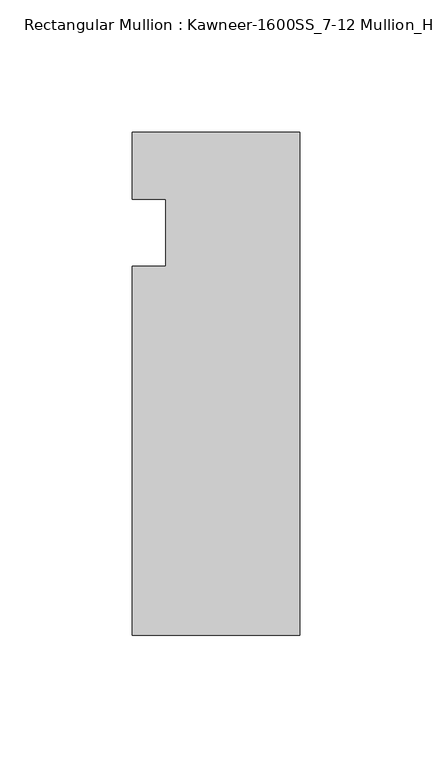
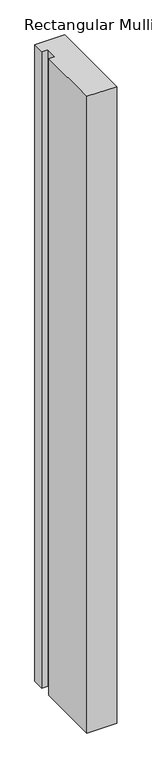
"""IFC4 building model written with IfcOpenShell, lengths in millimetres: member geometry, Rectangular Mullion : Kawneer-1600SS_7-12 Mullion_Head."""

from ifc_helpers import new_model, si_unit, frame, origin, place, context, project, spatial, polyline, outline, extrude, source, transform, mapped, element, save


def rectangular_mullion_kawneer_1600ss_7_12_mullion_head_327b4e07(model_context):
    return source(origin(), model_context, "Body", "SweptSolid", [
        extrude(outline(polyline([(-63.5, -152.4), (-63.5, -12.7), (-50.7982296, -12.7), (-50.7982296, 12.7), (-63.5, 12.7), (-63.5, 38.1), (0.0, 38.1), (0.0, -152.4), (-63.5, -152.4)])), frame((0.0, 0.0, -1424.4155973), z_axis=(0.0, 0.0, 1.0), x_axis=(1.0, 0.0, 0.0)), (0.0, 0.0, 1.0), 1424.4155973),
    ])


if __name__ == "__main__":
    model = new_model("IFC4")
    model_context = context("Model", 3, world=origin())
    ifc_project = project(units=[si_unit("LENGTHUNIT", "METRE", prefix="MILLI")], contexts=[model_context])
    site = spatial("IfcSite", under=ifc_project)
    building = spatial("IfcBuilding", under=site)
    placement = place(None, origin())
    rectangular_mullion_kawneer_1600ss_7_12_mullion_head_shape = rectangular_mullion_kawneer_1600ss_7_12_mullion_head_327b4e07(model_context)
    element("IfcMember", 1, ObjectType="Rectangular Mullion : Kawneer-1600SS_7-12 Mullion_Head", at=placement, inside=building, context=model_context, shape_type="MappedRepresentation", body=[
        mapped(rectangular_mullion_kawneer_1600ss_7_12_mullion_head_shape, transform((0.0, 0.0, 0.0), x_axis=(1.0, 0.0, 0.0), y_axis=(0.0, 1.0, 0.0), z_axis=(0.0, 0.0, 1.0))),
    ])
    save(model, "model.ifc")
